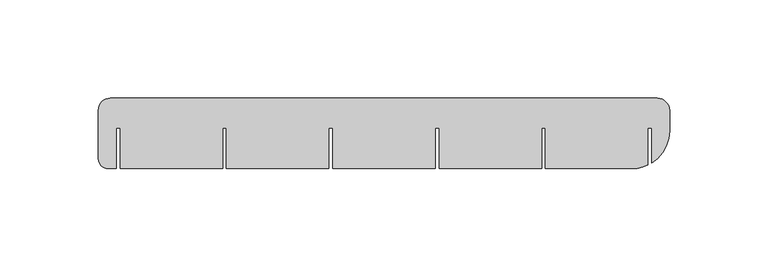
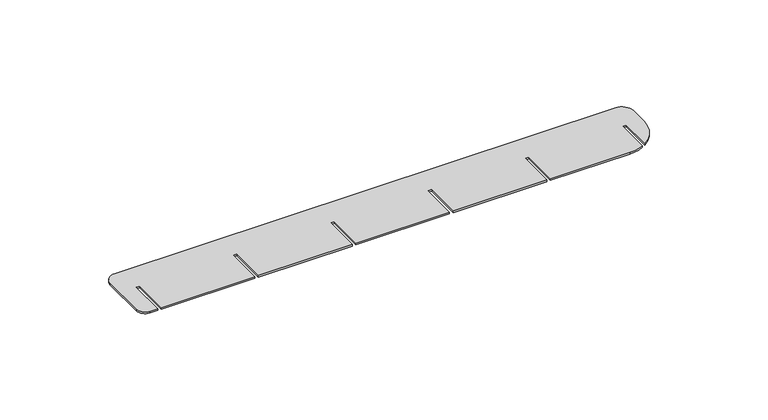
"""IFC4 building model written with IfcOpenShell, lengths in millimetres: proxy geometry."""

from ifc_helpers import new_model, si_unit, point, frame_2d, origin, origin_with_axes, place, context, project, spatial, polyline, circle_curve, trimmed, segment, composite_curve, outline, extrude, source, transform, mapped, element, save


def generic_models_b56723e4(model_context):
    return source(origin(), model_context, "Body", "SweptSolid", [
        extrude(outline(composite_curve([segment(trimmed(circle_curve(frame_2d((273.8017997, 29.6017997)), 6.1982003), [point((273.8017997, 35.8))], [point((280.0, 29.6017997))], False, "CARTESIAN"), True, "CONTINUOUS"), segment(polyline([(280.0, 29.6017997), (280.0, 19.1)]), True, "CONTINUOUS"), segment(trimmed(circle_curve(frame_2d((260.9, 19.1)), 19.1), [point((280.0, 19.1))], [point((271.0, 2.8888927))], False, "CARTESIAN"), True, "CONTINUOUS"), segment(polyline([(271.0, 2.8888927), (271.0, 20.7), (269.0, 20.7), (269.0, 1.8026014)]), True, "CONTINUOUS"), segment(trimmed(circle_curve(frame_2d((260.9, 19.1)), 19.1), [point((269.0, 1.8026014))], [point((260.9, 0.0))], False, "CARTESIAN"), True, "CONTINUOUS"), segment(polyline([(260.9, 0.0), (217.0, 0.0), (217.0, 20.7), (215.0, 20.7), (215.0, 0.0), (163.0, 0.0), (163.0, 20.7), (161.0, 20.7), (161.0, 0.0), (109.0, 0.0), (109.0, 20.7), (107.0, 20.7), (107.0, 0.0), (55.0, 0.0), (55.0, 20.7), (53.0, 20.7), (53.0, 0.0), (1.0, 0.0), (1.0, 20.7), (-1.0, 20.7), (-1.0, 0.0), (-5.0, 0.0)]), True, "CONTINUOUS"), segment(trimmed(circle_curve(frame_2d((-5.0, 5.0)), 5.0), [point((-5.0, 0.0))], [point((-10.0, 5.0))], False, "CARTESIAN"), True, "CONTINUOUS"), segment(polyline([(-10.0, 5.0), (-10.0, 29.7656042)]), True, "CONTINUOUS"), segment(trimmed(circle_curve(frame_2d((-3.9656042, 29.7656042)), 6.0343958), [point((-10.0, 29.7656042))], [point((-3.9656042, 35.8))], False, "CARTESIAN"), True, "CONTINUOUS"), segment(polyline([(-3.9656042, 35.8), (273.8017997, 35.8)]), True, "CONTINUOUS")], self_intersect=False)), origin_with_axes(), (0.0, 0.0, 1.0), 1.0),
    ])


if __name__ == "__main__":
    model = new_model("IFC4")
    model_context = context("Model", 3, world=origin())
    ifc_project = project(units=[si_unit("LENGTHUNIT", "METRE", prefix="MILLI")], contexts=[model_context])
    site = spatial("IfcSite", under=ifc_project)
    building = spatial("IfcBuilding", under=site)
    placement = place(None, origin())
    generic_models_shape = generic_models_b56723e4(model_context)
    element("IfcBuildingElementProxy", 1, Name="Generic Models", at=placement, inside=building, context=model_context, shape_type="MappedRepresentation", body=[
        mapped(generic_models_shape, transform((0.0, 0.0, 0.0), x_axis=(1.0, 0.0, 0.0), y_axis=(0.0, 1.0, 0.0), z_axis=(0.0, 0.0, 1.0))),
    ])
    save(model, "model.ifc")
